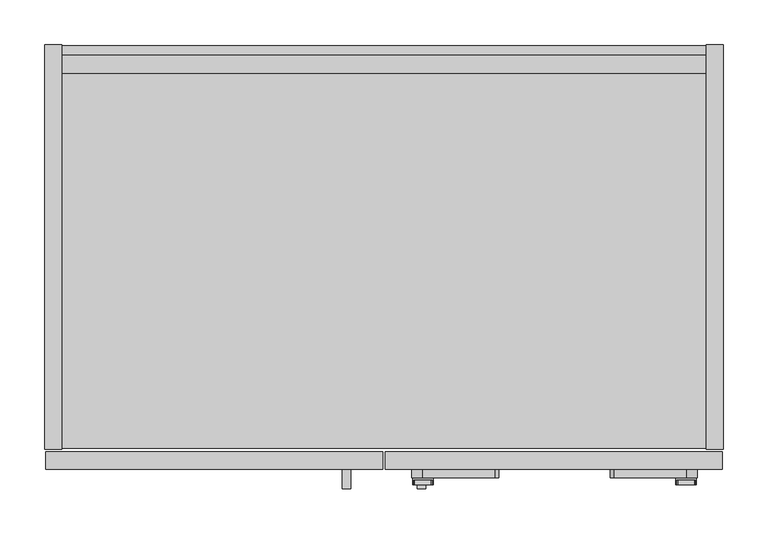
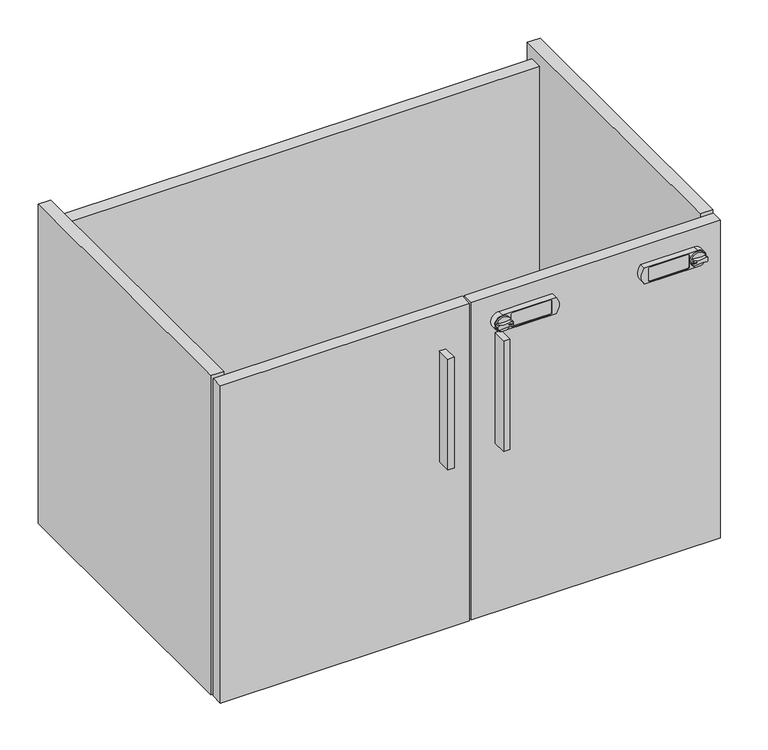
"""IFC4 building model written with IfcOpenShell, lengths in millimetres: furniture geometry."""

from ifc_helpers import new_model, si_unit, point, frame, frame_2d, origin, place, context, project, spatial, polyline, circle_curve, trimmed, segment, composite_curve, outline, extrude, source, transform, mapped, element, save
from ifc_brep_helpers import plane_surface, cylinder_surface, revolved_surface, advanced_brep


def furniture_d71c2a73(model_context):
    return source(origin(), model_context, "Body", "SolidModel", [
        advanced_brep(
        [(436.0610484, -494.03, 793.75), (435.6728161, -494.03, 796.703687), (433.9158969, -494.03, 797.6169664), (414.7828499, -494.03, 797.6471155), (413.5892808, -494.03, 796.703687), (413.2010484, -494.03, 793.75), (413.5892808, -494.03, 790.796313), (414.7828499, -494.03, 789.8528845), (433.9158969, -494.03, 789.8830336), (435.6728161, -494.03, 790.796313), (434.0436878, -494.03, 794.512), (434.0436878, -494.03, 792.988), (430.7531263, -494.03, 792.988), (430.7531263, -494.03, 794.512), (436.0610484, -486.41, 793.75), (413.2010484, -486.41, 793.75), (435.6728161, -488.5824403, 790.796313), (413.5892808, -488.5824403, 790.796313), (413.5892808, -488.5824403, 796.703687), (435.6728161, -488.5824403, 796.703687), (414.7828499, -488.5824403, 797.6471155), (433.9158969, -488.5824403, 797.6169664), (414.7828499, -488.5824403, 789.8528845), (433.9158969, -488.5824403, 789.8830336), (430.7531263, -492.8058699, 794.512), (430.7531263, -492.8058699, 792.988), (434.0436878, -492.8058699, 792.988), (434.0436878, -492.8058699, 794.512)],
        [
            (0, 1, circle_curve(frame((424.6310484, -494.03, 793.75), z_axis=(0.0, -1.0, 0.0), x_axis=(-1.0, 0.0, 0.0)), 11.43)),
            (1, 2, circle_curve(frame((434.2761665, -494.03, 796.16346), z_axis=(0.0, -1.0, 0.0), x_axis=(-1.0, 0.0, 0.0)), 1.4974896)),
            (2, 3, circle_curve(frame((424.4097836, -494.03, 835.9693424), z_axis=(0.0, 1.0, 0.0), x_axis=(-1.0, 0.0, 0.0)), 39.512921)),
            (3, 4, circle_curve(frame((414.9859303, -494.03, 796.16346), z_axis=(0.0, -1.0, 0.0), x_axis=(-1.0, 0.0, 0.0)), 1.4974896)),
            (4, 5, circle_curve(frame((424.6310484, -494.03, 793.75), z_axis=(0.0, -1.0, 0.0), x_axis=(-1.0, 0.0, 0.0)), 11.43)),
            (5, 6, circle_curve(frame((424.6310484, -494.03, 793.75), z_axis=(0.0, -1.0, 0.0), x_axis=(-1.0, 0.0, 0.0)), 11.43)),
            (6, 7, circle_curve(frame((414.9859303, -494.03, 791.33654), z_axis=(0.0, -1.0, 0.0), x_axis=(-1.0, 0.0, 0.0)), 1.4974896)),
            (7, 8, circle_curve(frame((424.4097836, -494.03, 751.5306576), z_axis=(0.0, 1.0, 0.0), x_axis=(-1.0, 0.0, 0.0)), 39.512921)),
            (8, 9, circle_curve(frame((434.2761665, -494.03, 791.33654), z_axis=(0.0, -1.0, 0.0), x_axis=(-1.0, 0.0, 0.0)), 1.4974896)),
            (9, 0, circle_curve(frame((424.6310484, -494.03, 793.75), z_axis=(0.0, -1.0, 0.0), x_axis=(-1.0, 0.0, 0.0)), 11.43)),
            (10, 11, circle_curve(frame((434.0436878, -494.03, 793.75), z_axis=(0.0, 1.0, 0.0), x_axis=(-1.0, 0.0, 0.0)), 0.762)),
            (11, 12),
            (12, 13, circle_curve(frame((430.7531263, -494.03, 793.75), z_axis=(0.0, 1.0, 0.0), x_axis=(1.0, 0.0, 0.0)), 0.762)),
            (13, 10),
            (14, 15, circle_curve(frame((424.6310484, -486.41, 793.75), z_axis=(0.0, 1.0, 0.0), x_axis=(-1.0, 0.0, 0.0)), 11.43)),
            (15, 14, circle_curve(frame((424.6310484, -486.41, 793.75), z_axis=(0.0, 1.0, 0.0), x_axis=(-1.0, 0.0, 0.0)), 11.43)),
            (14, 0),
            (9, 16),
            (16, 17, circle_curve(frame((424.6310484, -488.5824403, 793.75), z_axis=(0.0, 1.0, 0.0), x_axis=(-1.0, 0.0, 0.0)), 11.43)),
            (17, 6),
            (5, 15),
            (4, 18),
            (18, 19, circle_curve(frame((424.6310484, -488.5824403, 793.75), z_axis=(0.0, 1.0, 0.0), x_axis=(-1.0, 0.0, 0.0)), 11.43)),
            (19, 1),
            (20, 21, circle_curve(frame((424.4097836, -488.5824403, 835.9693424), z_axis=(0.0, -1.0, 0.0), x_axis=(-1.0, 0.0, 0.0)), 39.512921)),
            (21, 19, circle_curve(frame((434.2761665, -488.5824403, 796.16346), z_axis=(0.0, 1.0, 0.0), x_axis=(-1.0, 0.0, 0.0)), 1.4974896)),
            (18, 20, circle_curve(frame((414.9859303, -488.5824403, 796.16346), z_axis=(0.0, 1.0, 0.0), x_axis=(-1.0, 0.0, 0.0)), 1.4974896)),
            (22, 17, circle_curve(frame((414.9859303, -488.5824403, 791.33654), z_axis=(0.0, 1.0, 0.0), x_axis=(-1.0, 0.0, 0.0)), 1.4974896)),
            (16, 23, circle_curve(frame((434.2761665, -488.5824403, 791.33654), z_axis=(0.0, 1.0, 0.0), x_axis=(-1.0, 0.0, 0.0)), 1.4974896)),
            (23, 22, circle_curve(frame((424.4097836, -488.5824403, 751.5306576), z_axis=(0.0, -1.0, 0.0), x_axis=(-1.0, 0.0, 0.0)), 39.512921)),
            (3, 20),
            (21, 2),
            (23, 8),
            (7, 22),
            (24, 25, circle_curve(frame((430.7531263, -492.8058699, 793.75), z_axis=(0.0, -1.0, 0.0), x_axis=(1.0, 0.0, 0.0)), 0.762)),
            (25, 26),
            (26, 27, circle_curve(frame((434.0436878, -492.8058699, 793.75), z_axis=(0.0, -1.0, 0.0), x_axis=(-1.0, 0.0, 0.0)), 0.762)),
            (27, 24),
            (27, 10),
            (13, 24),
            (26, 11),
            (25, 12),
        ],
        [
            plane_surface(frame((413.2010484, -494.03, 793.75), z_axis=(0.0, -1.0, 0.0), x_axis=(0.0, 0.0, 1.0))),
            plane_surface(frame((413.2010484, -486.41, 793.75), z_axis=(0.0, 1.0, 0.0), x_axis=(0.0, 0.0, -1.0))),
            cylinder_surface(frame((424.6310484, -486.41, 793.75), z_axis=(0.0, -1.0, 0.0), x_axis=(-1.0, 0.0, 0.0)), 11.43),
            plane_surface(frame((413.4884407, -488.5824403, 796.16346), z_axis=(0.0, -1.0, 0.0), x_axis=(0.0, 0.0, 1.0))),
            cylinder_surface(frame((414.9859303, -488.5824403, 796.16346), z_axis=(0.0, 1.0, 0.0), x_axis=(-1.0, 0.0, 0.0)), 1.4974896),
            cylinder_surface(frame((434.2761665, -488.5824403, 796.16346), z_axis=(0.0, 1.0, 0.0), x_axis=(-1.0, 0.0, 0.0)), 1.4974896),
            revolved_surface(polyline([(384.8968626, -494.03, 835.9693424), (384.8968626, -488.5824403, 835.9693424)]), (424.4097836, -488.5824403, 835.9693424), (0.0, -1.0, 0.0)),
            revolved_surface(polyline([(384.8968626, -494.03, 751.5306576), (384.8968626, -488.5824403, 751.5306576)]), (424.4097836, -476.504, 751.5306576), (0.0, -1.0, 0.0)),
            cylinder_surface(frame((434.2761665, -476.504, 791.33654), z_axis=(0.0, 1.0, 0.0), x_axis=(-1.0, 0.0, 0.0)), 1.4974896),
            cylinder_surface(frame((414.9859303, -476.504, 791.33654), z_axis=(0.0, 1.0, 0.0), x_axis=(-1.0, 0.0, 0.0)), 1.4974896),
            plane_surface(frame((509.8373451, -492.8058699, 794.512), z_axis=(0.0, -1.0, 0.0), x_axis=(-1.0, 0.0, 0.0))),
            plane_surface(frame((430.7531263, -494.03, 794.512), z_axis=(0.0, 0.0, -1.0), x_axis=(0.0, 1.0, 0.0))),
            revolved_surface(polyline([(433.2816878, -494.03, 793.75), (433.2816878, -492.8058699, 793.75)]), (434.0436878, -492.8058699, 793.75), (0.0, -1.0, 0.0)),
            plane_surface(frame((434.0436878, -494.03, 792.988), z_axis=(0.0, 0.0, 1.0), x_axis=(0.0, 1.0, 0.0))),
            revolved_surface(polyline([(431.5151263, -494.03, 793.75), (431.5151263, -492.8058699, 793.75)]), (430.7531263, -492.8058699, 793.75), (0.0, -1.0, 0.0)),
        ],
        [
            (0, [[1, 2, 3, 4, 5, 6, 7, 8, 9, 10], [11, 12, 13, 14]]),
            (1, [[15, 16]]),
            (2, [[17, -10, 18, 19, 20, -6, 21, -15]]),
            (2, [[-21, -5, 22, 23, 24, -1, -17, -16]]),
            (3, [[25, 26, -23, 27]]),
            (3, [[28, -19, 29, 30]]),
            (4, [[-22, -4, 31, -27]]),
            (5, [[32, -2, -24, -26]]),
            (6, [[-31, -3, -32, -25]]),
            (7, [[33, -8, 34, -30]]),
            (8, [[-18, -9, -33, -29]]),
            (9, [[-34, -7, -20, -28]]),
            (10, [[35, 36, 37, 38]]),
            (11, [[39, -14, 40, -38]]),
            (12, [[41, -11, -39, -37]]),
            (13, [[42, -12, -41, -36]]),
            (14, [[-40, -13, -42, -35]]),
        ],
    ),
        advanced_brep(
        [(505.1880718, -486.41, 806.45), (424.4975, -486.41, 806.45), (424.4975, -486.41, 781.05), (505.1880718, -486.41, 781.05), (439.7916734, -486.41, 782.32), (437.2516734, -486.41, 784.86), (437.2516734, -486.41, 802.64), (439.7916734, -486.41, 805.18), (496.4072259, -486.41, 805.18), (498.9472259, -486.41, 802.64), (498.9472259, -486.41, 784.86), (496.4072259, -486.41, 782.32), (505.1880718, -476.504, 806.45), (505.1880718, -476.504, 781.05), (424.4975, -476.504, 781.05), (424.4975, -476.504, 806.45), (498.9472259, -484.9032162, 784.86), (498.9472259, -484.9032162, 802.64), (496.4072259, -484.9032162, 805.18), (439.7916734, -484.9032162, 805.18), (437.2516734, -484.9032162, 802.64), (437.2516734, -484.9032162, 784.86), (439.7916734, -484.9032162, 782.32), (496.4072259, -484.9032162, 782.32)],
        [
            (0, 1),
            (1, 2, circle_curve(frame((424.4975, -486.41, 793.75), z_axis=(0.0, -1.0, 0.0), x_axis=(-1.0, 0.0, 0.0)), 12.7)),
            (2, 3),
            (3, 0, circle_curve(frame((490.166987, -486.41, 793.75), z_axis=(0.0, -1.0, 0.0), x_axis=(-1.0, 0.0, 0.0)), 19.6703582)),
            (4, 5, circle_curve(frame((439.7916734, -486.41, 784.86), z_axis=(0.0, 1.0, 0.0), x_axis=(-1.0, 0.0, 0.0)), 2.54)),
            (5, 6),
            (6, 7, circle_curve(frame((439.7916734, -486.41, 802.64), z_axis=(0.0, 1.0, 0.0), x_axis=(-1.0, 0.0, 0.0)), 2.54)),
            (7, 8),
            (8, 9, circle_curve(frame((496.4072259, -486.41, 802.64), z_axis=(0.0, 1.0, 0.0), x_axis=(-1.0, 0.0, 0.0)), 2.54)),
            (9, 10),
            (10, 11, circle_curve(frame((496.4072259, -486.41, 784.86), z_axis=(0.0, 1.0, 0.0), x_axis=(-1.0, 0.0, 0.0)), 2.54)),
            (11, 4),
            (12, 13, circle_curve(frame((490.166987, -476.504, 793.75), z_axis=(0.0, 1.0, 0.0), x_axis=(-1.0, 0.0, 0.0)), 19.6703582)),
            (13, 14),
            (14, 15, circle_curve(frame((424.4975, -476.504, 793.75), z_axis=(0.0, 1.0, 0.0), x_axis=(-1.0, 0.0, 0.0)), 12.7)),
            (15, 12),
            (2, 14),
            (13, 3),
            (0, 12),
            (15, 1),
            (16, 17),
            (17, 18, circle_curve(frame((496.4072259, -484.9032162, 802.64), z_axis=(0.0, -1.0, 0.0), x_axis=(-1.0, 0.0, 0.0)), 2.54)),
            (18, 19),
            (19, 20, circle_curve(frame((439.7916734, -484.9032162, 802.64), z_axis=(0.0, -1.0, 0.0), x_axis=(-1.0, 0.0, 0.0)), 2.54)),
            (20, 21),
            (21, 22, circle_curve(frame((439.7916734, -484.9032162, 784.86), z_axis=(0.0, -1.0, 0.0), x_axis=(-1.0, 0.0, 0.0)), 2.54)),
            (22, 23),
            (23, 16, circle_curve(frame((496.4072259, -484.9032162, 784.86), z_axis=(0.0, -1.0, 0.0), x_axis=(-1.0, 0.0, 0.0)), 2.54)),
            (22, 4),
            (11, 23),
            (20, 6),
            (5, 21),
            (18, 8),
            (7, 19),
            (16, 10),
            (9, 17),
        ],
        [
            plane_surface(frame((470.4966288, -486.41, 793.75), z_axis=(0.0, -1.0, 0.0), x_axis=(0.0, 0.0, 1.0))),
            plane_surface(frame((470.4966288, -476.504, 793.75), z_axis=(0.0, 1.0, 0.0), x_axis=(0.0, 0.0, -1.0))),
            plane_surface(frame((505.1880718, -486.41, 781.05), z_axis=(0.0, 0.0, -1.0), x_axis=(0.0, 1.0, 0.0))),
            plane_surface(frame((424.4975, -486.41, 806.45), z_axis=(2.794559586893416e-12, 0.0, 1.0), x_axis=(0.0, 1.0, 0.0))),
            plane_surface(frame((493.8672259, -484.9032162, 784.86), z_axis=(0.0, -1.0, 0.0), x_axis=(0.0, 0.0, -1.0))),
            cylinder_surface(frame((424.4975, -476.504, 793.75), z_axis=(0.0, -1.0, 0.0), x_axis=(-1.0, 0.0, 0.0)), 12.7),
            plane_surface(frame((496.4072259, -492.8058699, 782.32), z_axis=(-3.0451129500606372e-12, 0.0, 1.0), x_axis=(0.0, 1.0, 0.0))),
            plane_surface(frame((437.2516734, -492.8058699, 784.86), z_axis=(1.0, 0.0, 0.0), x_axis=(0.0, 1.0, 0.0))),
            plane_surface(frame((439.7916734, -492.8058699, 805.18), z_axis=(0.0, 0.0, -1.0), x_axis=(0.0, 1.0, 0.0))),
            plane_surface(frame((498.9472259, -492.8058699, 802.64), z_axis=(-1.0, 0.0, 0.0), x_axis=(0.0, 1.0, 0.0))),
            revolved_surface(polyline([(493.8672259, -486.41, 784.86), (493.8672259, -484.9032162, 784.86)]), (496.4072259, -484.9032162, 784.86), (0.0, -1.0, 0.0)),
            revolved_surface(polyline([(437.25167339999996, -486.41, 784.86), (437.25167339999996, -484.9032162, 784.86)]), (439.7916734, -484.9032162, 784.86), (0.0, -1.0, 0.0)),
            revolved_surface(polyline([(437.25167339999996, -486.41, 802.64), (437.25167339999996, -484.9032162, 802.64)]), (439.7916734, -484.9032162, 802.64), (0.0, -1.0, 0.0)),
            revolved_surface(polyline([(493.8672259, -486.41, 802.64), (493.8672259, -484.9032162, 802.64)]), (496.4072259, -484.9032162, 802.64), (0.0, -1.0, 0.0)),
            cylinder_surface(frame((490.166987, -476.504, 793.75), z_axis=(0.0, -1.0, 0.0), x_axis=(-1.0, 0.0, 0.0)), 19.6703582),
        ],
        [
            (0, [[1, 2, 3, 4], [5, 6, 7, 8, 9, 10, 11, 12]]),
            (1, [[13, 14, 15, 16]]),
            (2, [[17, -14, 18, -3]]),
            (3, [[19, -16, 20, -1]]),
            (4, [[21, 22, 23, 24, 25, 26, 27, 28]]),
            (5, [[-20, -15, -17, -2]]),
            (6, [[29, -12, 30, -27]]),
            (7, [[31, -6, 32, -25]]),
            (8, [[33, -8, 34, -23]]),
            (9, [[35, -10, 36, -21]]),
            (10, [[-30, -11, -35, -28]]),
            (11, [[-32, -5, -29, -26]]),
            (12, [[-34, -7, -31, -24]]),
            (13, [[-36, -9, -33, -22]]),
            (14, [[-18, -13, -19, -4]]),
        ],
    ),
        advanced_brep(
        [(708.5264516, -494.03, 793.75), (708.9146839, -494.03, 790.796313), (710.6716031, -494.03, 789.8830336), (729.8046501, -494.03, 789.8528845), (730.9982192, -494.03, 790.796313), (731.3864516, -494.03, 793.75), (730.9982192, -494.03, 796.703687), (729.8046501, -494.03, 797.6471155), (710.6716031, -494.03, 797.6169664), (708.9146839, -494.03, 796.703687), (710.5438122, -494.03, 794.512), (713.8343737, -494.03, 794.512), (713.8343737, -494.03, 792.988), (710.5438122, -494.03, 792.988), (708.5264516, -486.41, 793.75), (731.3864516, -486.41, 793.75), (730.9982192, -488.5824403, 790.796313), (708.9146839, -488.5824403, 790.796313), (708.9146839, -488.5824403, 796.703687), (730.9982192, -488.5824403, 796.703687), (729.8046501, -488.5824403, 797.6471155), (710.6716031, -488.5824403, 797.6169664), (729.8046501, -488.5824403, 789.8528845), (710.6716031, -488.5824403, 789.8830336), (713.8343737, -492.8058699, 794.512), (710.5438122, -492.8058699, 794.512), (710.5438122, -492.8058699, 792.988), (713.8343737, -492.8058699, 792.988)],
        [
            (0, 1, circle_curve(frame((719.9564516, -494.03, 793.75), z_axis=(0.0, -1.0, 0.0), x_axis=(1.0, 0.0, 0.0)), 11.43)),
            (1, 2, circle_curve(frame((710.3113335, -494.03, 791.33654), z_axis=(0.0, -1.0, 0.0), x_axis=(1.0, 0.0, 0.0)), 1.4974896)),
            (2, 3, circle_curve(frame((720.1777164, -494.03, 751.5306576), z_axis=(0.0, 1.0, 0.0), x_axis=(1.0, 0.0, 0.0)), 39.512921)),
            (3, 4, circle_curve(frame((729.6015697, -494.03, 791.33654), z_axis=(0.0, -1.0, 0.0), x_axis=(1.0, 0.0, 0.0)), 1.4974896)),
            (4, 5, circle_curve(frame((719.9564516, -494.03, 793.75), z_axis=(0.0, -1.0, 0.0), x_axis=(1.0, 0.0, 0.0)), 11.43)),
            (5, 6, circle_curve(frame((719.9564516, -494.03, 793.75), z_axis=(0.0, -1.0, 0.0), x_axis=(1.0, 0.0, 0.0)), 11.43)),
            (6, 7, circle_curve(frame((729.6015697, -494.03, 796.16346), z_axis=(0.0, -1.0, 0.0), x_axis=(1.0, 0.0, 0.0)), 1.4974896)),
            (7, 8, circle_curve(frame((720.1777164, -494.03, 835.9693424), z_axis=(0.0, 1.0, 0.0), x_axis=(1.0, 0.0, 0.0)), 39.512921)),
            (8, 9, circle_curve(frame((710.3113335, -494.03, 796.16346), z_axis=(0.0, -1.0, 0.0), x_axis=(1.0, 0.0, 0.0)), 1.4974896)),
            (9, 0, circle_curve(frame((719.9564516, -494.03, 793.75), z_axis=(0.0, -1.0, 0.0), x_axis=(1.0, 0.0, 0.0)), 11.43)),
            (10, 11),
            (11, 12, circle_curve(frame((713.8343737, -494.03, 793.75), z_axis=(0.0, 1.0, 0.0), x_axis=(-1.0, 0.0, 0.0)), 0.762)),
            (12, 13),
            (13, 10, circle_curve(frame((710.5438122, -494.03, 793.75), z_axis=(0.0, 1.0, 0.0), x_axis=(1.0, 0.0, 0.0)), 0.762)),
            (14, 15, circle_curve(frame((719.9564516, -486.41, 793.75), z_axis=(0.0, 1.0, 0.0), x_axis=(1.0, 0.0, 0.0)), 11.43)),
            (15, 14, circle_curve(frame((719.9564516, -486.41, 793.75), z_axis=(0.0, 1.0, 0.0), x_axis=(1.0, 0.0, 0.0)), 11.43)),
            (15, 5),
            (4, 16),
            (16, 17, circle_curve(frame((719.9564516, -488.5824403, 793.75), z_axis=(0.0, 1.0, 0.0), x_axis=(1.0, 0.0, 0.0)), 11.43)),
            (17, 1),
            (0, 14),
            (9, 18),
            (18, 19, circle_curve(frame((719.9564516, -488.5824403, 793.75), z_axis=(0.0, 1.0, 0.0), x_axis=(1.0, 0.0, 0.0)), 11.43)),
            (19, 6),
            (20, 19, circle_curve(frame((729.6015697, -488.5824403, 796.16346), z_axis=(0.0, 1.0, 0.0), x_axis=(1.0, 0.0, 0.0)), 1.4974896)),
            (18, 21, circle_curve(frame((710.3113335, -488.5824403, 796.16346), z_axis=(0.0, 1.0, 0.0), x_axis=(1.0, 0.0, 0.0)), 1.4974896)),
            (21, 20, circle_curve(frame((720.1777164, -488.5824403, 835.9693424), z_axis=(0.0, -1.0, 0.0), x_axis=(1.0, 0.0, 0.0)), 39.512921)),
            (22, 23, circle_curve(frame((720.1777164, -488.5824403, 751.5306576), z_axis=(0.0, -1.0, 0.0), x_axis=(1.0, 0.0, 0.0)), 39.512921)),
            (23, 17, circle_curve(frame((710.3113335, -488.5824403, 791.33654), z_axis=(0.0, 1.0, 0.0), x_axis=(1.0, 0.0, 0.0)), 1.4974896)),
            (16, 22, circle_curve(frame((729.6015697, -488.5824403, 791.33654), z_axis=(0.0, 1.0, 0.0), x_axis=(1.0, 0.0, 0.0)), 1.4974896)),
            (20, 7),
            (8, 21),
            (22, 3),
            (2, 23),
            (24, 25),
            (25, 26, circle_curve(frame((710.5438122, -492.8058699, 793.75), z_axis=(0.0, -1.0, 0.0), x_axis=(1.0, 0.0, 0.0)), 0.762)),
            (26, 27),
            (27, 24, circle_curve(frame((713.8343737, -492.8058699, 793.75), z_axis=(0.0, -1.0, 0.0), x_axis=(-1.0, 0.0, 0.0)), 0.762)),
            (24, 11),
            (10, 25),
            (13, 26),
            (12, 27),
        ],
        [
            plane_surface(frame((731.3864516, -494.03, 793.75), z_axis=(0.0, -1.0, 0.0), x_axis=(0.0, 0.0, 1.0))),
            plane_surface(frame((731.3864516, -486.41, 793.75), z_axis=(0.0, 1.0, 0.0), x_axis=(0.0, 0.0, -1.0))),
            cylinder_surface(frame((719.9564516, -486.41, 793.75), z_axis=(0.0, -1.0, 0.0), x_axis=(1.0, 0.0, 0.0)), 11.43),
            plane_surface(frame((731.0990593, -488.5824403, 796.16346), z_axis=(0.0, -1.0, 0.0), x_axis=(0.0, 0.0, 1.0))),
            cylinder_surface(frame((729.6015697, -488.5824403, 796.16346), z_axis=(0.0, 1.0, 0.0), x_axis=(1.0, 0.0, 0.0)), 1.4974896),
            cylinder_surface(frame((710.3113335, -488.5824403, 796.16346), z_axis=(0.0, 1.0, 0.0), x_axis=(1.0, 0.0, 0.0)), 1.4974896),
            revolved_surface(polyline([(759.6906374, -494.03, 835.9693424), (759.6906374, -488.5824403, 835.9693424)]), (720.1777164, -488.5824403, 835.9693424), (0.0, -1.0, 0.0)),
            revolved_surface(polyline([(759.6906374, -494.03, 751.5306576), (759.6906374, -488.5824403, 751.5306576)]), (720.1777164, -476.504, 751.5306576), (0.0, -1.0, 0.0)),
            cylinder_surface(frame((710.3113335, -476.504, 791.33654), z_axis=(0.0, 1.0, 0.0), x_axis=(1.0, 0.0, 0.0)), 1.4974896),
            cylinder_surface(frame((729.6015697, -476.504, 791.33654), z_axis=(0.0, 1.0, 0.0), x_axis=(1.0, 0.0, 0.0)), 1.4974896),
            plane_surface(frame((634.7501549, -492.8058699, 794.512), z_axis=(0.0, -1.0, 0.0), x_axis=(1.0, 0.0, 0.0))),
            plane_surface(frame((713.8343737, -494.03, 794.512), z_axis=(0.0, 0.0, -1.0), x_axis=(0.0, 1.0, 0.0))),
            revolved_surface(polyline([(711.3058122, -494.03, 793.75), (711.3058122, -492.8058699, 793.75)]), (710.5438122, -492.8058699, 793.75), (0.0, -1.0, 0.0)),
            plane_surface(frame((710.5438122, -494.03, 792.988), z_axis=(0.0, 0.0, 1.0), x_axis=(0.0, 1.0, 0.0))),
            revolved_surface(polyline([(713.0723737000001, -494.03, 793.75), (713.0723737000001, -492.8058699, 793.75)]), (713.8343737, -492.8058699, 793.75), (0.0, -1.0, 0.0)),
        ],
        [
            (0, [[1, 2, 3, 4, 5, 6, 7, 8, 9, 10], [11, 12, 13, 14]]),
            (1, [[15, 16]]),
            (2, [[-16, 17, -5, 18, 19, 20, -1, 21]]),
            (2, [[-15, -21, -10, 22, 23, 24, -6, -17]]),
            (3, [[25, -23, 26, 27]]),
            (3, [[28, 29, -19, 30]]),
            (4, [[-25, 31, -7, -24]]),
            (5, [[-26, -22, -9, 32]]),
            (6, [[-27, -32, -8, -31]]),
            (7, [[-28, 33, -3, 34]]),
            (8, [[-29, -34, -2, -20]]),
            (9, [[-30, -18, -4, -33]]),
            (10, [[35, 36, 37, 38]]),
            (11, [[-35, 39, -11, 40]]),
            (12, [[-36, -40, -14, 41]]),
            (13, [[-37, -41, -13, 42]]),
            (14, [[-38, -42, -12, -39]]),
        ],
    ),
        advanced_brep(
        [(639.3994282, -486.41, 806.45), (639.3994282, -486.41, 781.05), (720.09, -486.41, 781.05), (720.09, -486.41, 806.45), (704.7958266, -486.41, 782.32), (648.1802741, -486.41, 782.32), (645.6402741, -486.41, 784.86), (645.6402741, -486.41, 802.64), (648.1802741, -486.41, 805.18), (704.7958266, -486.41, 805.18), (707.3358266, -486.41, 802.64), (707.3358266, -486.41, 784.86), (639.3994282, -476.504, 806.45), (720.09, -476.504, 806.45), (720.09, -476.504, 781.05), (639.3994282, -476.504, 781.05), (645.6402741, -484.9032162, 784.86), (648.1802741, -484.9032162, 782.32), (704.7958266, -484.9032162, 782.32), (707.3358266, -484.9032162, 784.86), (707.3358266, -484.9032162, 802.64), (704.7958266, -484.9032162, 805.18), (648.1802741, -484.9032162, 805.18), (645.6402741, -484.9032162, 802.64)],
        [
            (0, 1, circle_curve(frame((654.420513, -486.41, 793.75), z_axis=(0.0, -1.0, 0.0), x_axis=(1.0, 0.0, 0.0)), 19.6703582)),
            (1, 2),
            (2, 3, circle_curve(frame((720.09, -486.41, 793.75), z_axis=(0.0, -1.0, 0.0), x_axis=(1.0, 0.0, 0.0)), 12.7)),
            (3, 0),
            (4, 5),
            (5, 6, circle_curve(frame((648.1802741, -486.41, 784.86), z_axis=(0.0, 1.0, 0.0), x_axis=(1.0, 0.0, 0.0)), 2.54)),
            (6, 7),
            (7, 8, circle_curve(frame((648.1802741, -486.41, 802.64), z_axis=(0.0, 1.0, 0.0), x_axis=(1.0, 0.0, 0.0)), 2.54)),
            (8, 9),
            (9, 10, circle_curve(frame((704.7958266, -486.41, 802.64), z_axis=(0.0, 1.0, 0.0), x_axis=(1.0, 0.0, 0.0)), 2.54)),
            (10, 11),
            (11, 4, circle_curve(frame((704.7958266, -486.41, 784.86), z_axis=(0.0, 1.0, 0.0), x_axis=(1.0, 0.0, 0.0)), 2.54)),
            (12, 13),
            (13, 14, circle_curve(frame((720.09, -476.504, 793.75), z_axis=(0.0, 1.0, 0.0), x_axis=(1.0, 0.0, 0.0)), 12.7)),
            (14, 15),
            (15, 12, circle_curve(frame((654.420513, -476.504, 793.75), z_axis=(0.0, 1.0, 0.0), x_axis=(1.0, 0.0, 0.0)), 19.6703582)),
            (1, 15),
            (14, 2),
            (3, 13),
            (12, 0),
            (16, 17, circle_curve(frame((648.1802741, -484.9032162, 784.86), z_axis=(0.0, -1.0, 0.0), x_axis=(1.0, 0.0, 0.0)), 2.54)),
            (17, 18),
            (18, 19, circle_curve(frame((704.7958266, -484.9032162, 784.86), z_axis=(0.0, -1.0, 0.0), x_axis=(1.0, 0.0, 0.0)), 2.54)),
            (19, 20),
            (20, 21, circle_curve(frame((704.7958266, -484.9032162, 802.64), z_axis=(0.0, -1.0, 0.0), x_axis=(1.0, 0.0, 0.0)), 2.54)),
            (21, 22),
            (22, 23, circle_curve(frame((648.1802741, -484.9032162, 802.64), z_axis=(0.0, -1.0, 0.0), x_axis=(1.0, 0.0, 0.0)), 2.54)),
            (23, 16),
            (17, 5),
            (4, 18),
            (19, 11),
            (10, 20),
            (21, 9),
            (8, 22),
            (23, 7),
            (6, 16),
        ],
        [
            plane_surface(frame((674.0908712, -486.41, 793.75), z_axis=(0.0, -1.0, 0.0), x_axis=(0.0, 0.0, 1.0))),
            plane_surface(frame((674.0908712, -476.504, 793.75), z_axis=(0.0, 1.0, 0.0), x_axis=(0.0, 0.0, -1.0))),
            plane_surface(frame((639.3994282, -486.41, 781.05), z_axis=(0.0, 0.0, -1.0), x_axis=(0.0, 1.0, 0.0))),
            plane_surface(frame((720.09, -486.41, 806.45), z_axis=(-2.791359111065728e-12, 0.0, 1.0), x_axis=(0.0, 1.0, 0.0))),
            plane_surface(frame((650.7202741, -484.9032162, 784.86), z_axis=(0.0, -1.0, 0.0), x_axis=(0.0, 0.0, -1.0))),
            cylinder_surface(frame((720.09, -476.504, 793.75), z_axis=(0.0, -1.0, 0.0), x_axis=(1.0, 0.0, 0.0)), 12.7),
            plane_surface(frame((648.1802741, -492.8058699, 782.32), z_axis=(3.0483134258883253e-12, 0.0, 1.0), x_axis=(0.0, 1.0, 0.0))),
            plane_surface(frame((707.3358266, -492.8058699, 784.86), z_axis=(-1.0, 0.0, 0.0), x_axis=(0.0, 1.0, 0.0))),
            plane_surface(frame((704.7958266, -492.8058699, 805.18), z_axis=(0.0, 0.0, -1.0), x_axis=(0.0, 1.0, 0.0))),
            plane_surface(frame((645.6402741, -492.8058699, 802.64), z_axis=(1.0, 0.0, 0.0), x_axis=(0.0, 1.0, 0.0))),
            revolved_surface(polyline([(650.7202741, -486.41, 784.86), (650.7202741, -484.9032162, 784.86)]), (648.1802741, -484.9032162, 784.86), (0.0, -1.0, 0.0)),
            revolved_surface(polyline([(707.3358266, -486.41, 784.86), (707.3358266, -484.9032162, 784.86)]), (704.7958266, -484.9032162, 784.86), (0.0, -1.0, 0.0)),
            revolved_surface(polyline([(707.3358266, -486.41, 802.64), (707.3358266, -484.9032162, 802.64)]), (704.7958266, -484.9032162, 802.64), (0.0, -1.0, 0.0)),
            revolved_surface(polyline([(650.7202741, -486.41, 802.64), (650.7202741, -484.9032162, 802.64)]), (648.1802741, -484.9032162, 802.64), (0.0, -1.0, 0.0)),
            cylinder_surface(frame((654.420513, -476.504, 793.75), z_axis=(0.0, -1.0, 0.0), x_axis=(1.0, 0.0, 0.0)), 19.6703582),
        ],
        [
            (0, [[1, 2, 3, 4], [5, 6, 7, 8, 9, 10, 11, 12]]),
            (1, [[13, 14, 15, 16]]),
            (2, [[-2, 17, -15, 18]]),
            (3, [[-4, 19, -13, 20]]),
            (4, [[21, 22, 23, 24, 25, 26, 27, 28]]),
            (5, [[-3, -18, -14, -19]]),
            (6, [[-22, 29, -5, 30]]),
            (7, [[-24, 31, -11, 32]]),
            (8, [[-26, 33, -9, 34]]),
            (9, [[-28, 35, -7, 36]]),
            (10, [[-21, -36, -6, -29]]),
            (11, [[-23, -30, -12, -31]]),
            (12, [[-25, -32, -10, -33]]),
            (13, [[-27, -34, -8, -35]]),
            (14, [[-1, -20, -16, -17]]),
        ],
    ),
        extrude(outline(polyline([(343.5338631, -498.729), (334.0088631, -498.729), (334.0088631, -476.504), (343.5338631, -476.504), (343.5338631, -498.729)])), frame((0.0, 0.0, 596.9), z_axis=(0.0, 0.0, 1.0), x_axis=(1.0, 0.0, 0.0)), (0.0, 0.0, 1.0), 177.8),
        extrude(outline(polyline([(427.9888631, -498.729), (418.4638631, -498.729), (418.4638631, -476.504), (427.9888631, -476.504), (427.9888631, -498.729)])), frame((0.0, 0.0, 596.9), z_axis=(0.0, 0.0, 1.0), x_axis=(1.0, 0.0, 0.0)), (0.0, 0.0, 1.0), 177.8),
        extrude(outline(polyline([(379.4125, -476.504), (1.5875, -476.504), (1.5875, -457.2), (379.4125, -457.2), (379.4125, -476.504)])), frame((0.0, 0.0, 325.628), z_axis=(0.0, 0.0, 1.0), x_axis=(1.0, 0.0, 0.0)), (0.0, 0.0, 1.0), 509.397),
        extrude(outline(polyline([(760.4125, -476.504), (382.5875, -476.504), (382.5875, -457.2), (760.4125, -457.2), (760.4125, -476.504)])), frame((0.0, 0.0, 325.628), z_axis=(0.0, 0.0, 1.0), x_axis=(1.0, 0.0, 0.0)), (0.0, 0.0, 1.0), 509.397),
        extrude(outline(polyline([(19.304, 0.0), (19.304, -454.025), (0.0, -454.025), (0.0, 0.0), (19.304, 0.0)])), frame((0.0, 0.0, 325.628), z_axis=(0.0, 0.0, 1.0), x_axis=(1.0, 0.0, 0.0)), (0.0, 0.0, 1.0), 512.572),
        extrude(outline(composite_curve([segment(polyline([(-454.025, 838.2), (0.0, 838.2), (0.0, 761.492), (-9.3963729, 761.492)]), True, "CONTINUOUS"), segment(trimmed(circle_curve(frame_2d((-9.3963729, 758.1883729)), 3.3036271), [point((-9.3963729, 761.492))], [point((-12.7, 758.1883729))], True, "CARTESIAN"), True, "CONTINUOUS"), segment(polyline([(-12.7, 758.1883729), (-12.7, 656.844)]), True, "CONTINUOUS"), segment(trimmed(circle_curve(frame_2d((-9.398, 656.844)), 3.302), [point((-12.7, 656.844))], [point((-9.398, 653.542))], True, "CARTESIAN"), True, "CONTINUOUS"), segment(polyline([(-9.398, 653.542), (0.0, 653.542), (0.0, 325.628), (-454.025, 325.628), (-454.025, 838.2)]), True, "CONTINUOUS")], self_intersect=False)), frame((742.696, 0.0, 0.0), z_axis=(1.0, 0.0, 0.0), x_axis=(0.0, 1.0, 0.0)), (0.0, 0.0, 1.0), 19.304),
        extrude(outline(polyline([(742.696, -0.9906), (742.696, -453.0344), (19.304, -453.0344), (19.304, -0.9906), (742.696, -0.9906)])), frame((0.0, 0.0, 326.6186), z_axis=(0.0, 0.0, 1.0), x_axis=(1.0, 0.0, 0.0)), (0.0, 0.0, 1.0), 19.304),
        extrude(outline(composite_curve([segment(polyline([(-32.004, 818.896), (-11.938, 818.896), (-11.938, 760.2988429)]), True, "CONTINUOUS"), segment(trimmed(circle_curve(frame_2d((-9.3963729, 758.1883729)), 3.3036271), [point((-11.938, 760.2988429))], [point((-12.7, 758.1883729))], True, "CARTESIAN"), True, "CONTINUOUS"), segment(polyline([(-12.7, 758.1883729), (-12.7, 656.844)]), True, "CONTINUOUS"), segment(trimmed(circle_curve(frame_2d((-9.398, 656.844)), 3.302), [point((-12.7, 656.844))], [point((-11.938, 654.7341175))], True, "CARTESIAN"), True, "CONTINUOUS"), segment(polyline([(-11.938, 654.7341175), (-11.938, 345.9226), (-32.004, 345.9226), (-32.004, 818.896)]), True, "CONTINUOUS")], self_intersect=False)), frame((19.304, 0.0, 0.0), z_axis=(1.0, 0.0, 0.0), x_axis=(0.0, 1.0, 0.0)), (0.0, 0.0, 1.0), 723.392),
    ])


if __name__ == "__main__":
    model = new_model("IFC4")
    model_context = context("Model", 3, world=origin())
    ifc_project = project(units=[si_unit("LENGTHUNIT", "METRE", prefix="MILLI")], contexts=[model_context])
    site = spatial("IfcSite", under=ifc_project)
    building = spatial("IfcBuilding", under=site)
    placement = place(None, origin())
    furniture_shape = furniture_d71c2a73(model_context)
    element("IfcFurniture", 1, at=placement, inside=building, context=model_context, shape_type="MappedRepresentation", body=[
        mapped(furniture_shape, transform((0.0, 0.0, 0.0), x_axis=(1.0, 0.0, 0.0), y_axis=(0.0, 1.0, 0.0), z_axis=(0.0, 0.0, 1.0))),
    ])
    save(model, "model.ifc")
